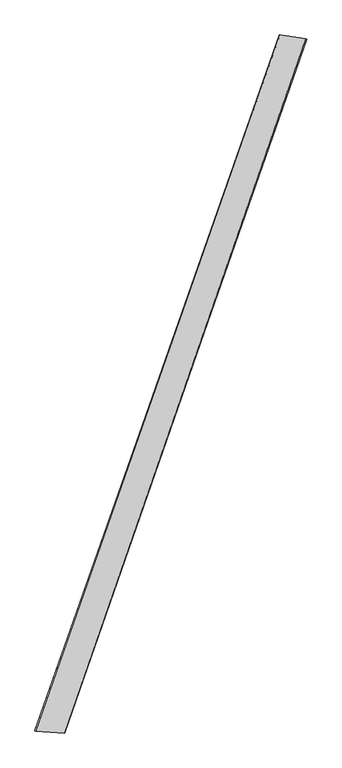
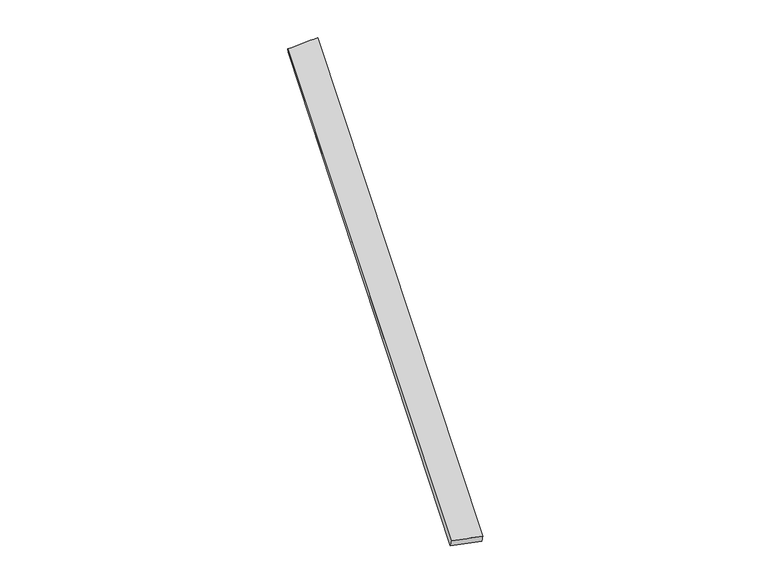
"""IFC4 building model written with IfcOpenShell, lengths in millimetres: proxy geometry."""

from ifc_helpers import new_model, si_unit, origin, place, context, project, spatial, source, transform, mapped, element, save
from ifc_brep_helpers import spline_surface, advanced_brep


def generic_models_238f8fe5(model_context):
    return source(origin(), model_context, "Body", "AdvancedBrep", [
        advanced_brep(
        [(-710.8888717, -1800.918475, 12.8381919), (-706.7765798, -1802.1730937, 42.52851), (695.5523859, 2199.836312, 16.0677015), (699.8579449, 2198.1216872, -13.5721741), (-538.4561403, -1814.1502454, 16.6888135), (848.6898904, 2176.8343441, 43.0512104), (-543.1749345, -1812.3000807, -12.8799178), (854.2058612, 2175.0968685, 13.6138999)],
        [
            (0, 1),
            (1, 2),
            (2, 3),
            (3, 0),
            (1, 4),
            (4, 5),
            (5, 2),
            (4, 6),
            (6, 7),
            (7, 5),
            (6, 0),
            (3, 7),
        ],
        [
            spline_surface(1, 1, [[(-710.8888717, -1800.918475, 12.8381919), (699.8579449, 2198.1216872, -13.5721741)], [(-706.7765798, -1802.1730937, 42.52851), (695.5523859, 2199.836312, 16.0677015)]], [2, 2], [2, 2], [0.0, 1.0], [0.0, 1.0]),
            spline_surface(1, 1, [[(-706.7765798, -1802.1730937, 42.52851), (695.5523859, 2199.836312, 16.0677015)], [(-538.4561403, -1814.1502454, 16.6888135), (848.6898904, 2176.8343441, 43.0512104)]], [2, 2], [2, 2], [0.0, 1.0], [0.0, 1.0]),
            spline_surface(1, 1, [[(-538.4561403, -1814.1502454, 16.6888135), (848.6898904, 2176.8343441, 43.0512104)], [(-543.1749345, -1812.3000807, -12.8799178), (854.2058612, 2175.0968685, 13.6138999)]], [2, 2], [2, 2], [0.0, 1.0], [0.0, 1.0]),
            spline_surface(1, 1, [[(-543.1749345, -1812.3000807, -12.8799178), (854.2058612, 2175.0968685, 13.6138999)], [(-710.8888717, -1800.918475, 12.8381919), (699.8579449, 2198.1216872, -13.5721741)]], [2, 2], [2, 2], [0.0, 1.0], [0.0, 1.0]),
            spline_surface(1, 1, [[(695.5523859, 2199.836312, 16.0677015), (699.8579449, 2198.1216872, -13.5721741)], [(848.6898904, 2176.8343441, 43.0512104), (854.2058612, 2175.0968685, 13.6138999)]], [2, 2], [2, 2], [0.0, 1.0], [0.0, 1.0]),
            spline_surface(1, 1, [[(-543.1749345, -1812.3000807, -12.8799178), (-710.8888717, -1800.918475, 12.8381919)], [(-538.4561403, -1814.1502454, 16.6888135), (-706.7765798, -1802.1730937, 42.52851)]], [2, 2], [2, 2], [0.0, 1.0], [0.0, 1.0]),
        ],
        [
            (0, [[1, 2, 3, 4]]),
            (1, [[5, 6, 7, -2]]),
            (2, [[8, 9, 10, -6]]),
            (3, [[11, -4, 12, -9]]),
            (4, [[-3, -7, -10, -12]]),
            (5, [[-11, -8, -5, -1]]),
        ],
    ),
    ])


if __name__ == "__main__":
    model = new_model("IFC4")
    model_context = context("Model", 3, world=origin())
    ifc_project = project(units=[si_unit("LENGTHUNIT", "METRE", prefix="MILLI")], contexts=[model_context])
    site = spatial("IfcSite", under=ifc_project)
    building = spatial("IfcBuilding", under=site)
    placement = place(None, origin())
    generic_models_shape = generic_models_238f8fe5(model_context)
    element("IfcBuildingElementProxy", 1, Name="Generic Models", at=placement, inside=building, context=model_context, shape_type="MappedRepresentation", body=[
        mapped(generic_models_shape, transform((0.0, 0.0, 0.0), x_axis=(1.0, 0.0, 0.0), y_axis=(0.0, 1.0, 0.0), z_axis=(0.0, 0.0, 1.0))),
    ])
    save(model, "model.ifc")
